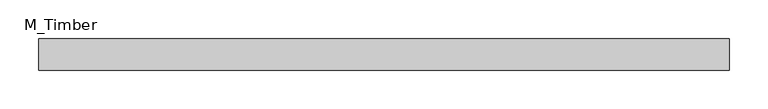
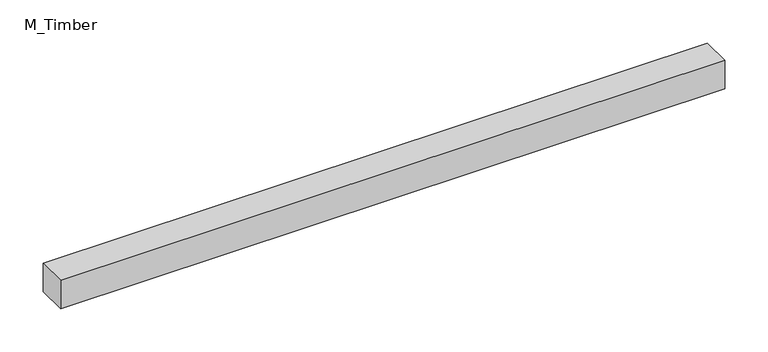
"""IFC4 building model written with IfcOpenShell, lengths in millimetres: beam geometry, M_Timber."""

from ifc_helpers import new_model, si_unit, frame, origin, place, context, project, spatial, polyline, outline, extrude, source, transform, mapped, element, save


def m_timber_a74247fe(model_context):
    return source(origin(), model_context, "Body", "SweptSolid", [
        extrude(outline(polyline([(443.3336744, 20.0), (443.3336744, -20.0), (-443.3336744, -20.0), (-443.3336744, 20.0), (443.3336744, 20.0)])), frame((0.0, 0.0, -20.0), z_axis=(0.0, 0.0, 1.0), x_axis=(1.0, 0.0, 0.0)), (0.0, 0.0, 1.0), 40.0),
    ])


if __name__ == "__main__":
    model = new_model("IFC4")
    model_context = context("Model", 3, world=origin())
    ifc_project = project(units=[si_unit("LENGTHUNIT", "METRE", prefix="MILLI")], contexts=[model_context])
    site = spatial("IfcSite", under=ifc_project)
    building = spatial("IfcBuilding", under=site)
    placement = place(None, origin())
    m_timber_shape = m_timber_a74247fe(model_context)
    element("IfcBeam", 1, ObjectType="M_Timber", at=placement, inside=building, context=model_context, shape_type="MappedRepresentation", body=[
        mapped(m_timber_shape, transform((0.0, 0.0, 0.0), x_axis=(1.0, 0.0, 0.0), y_axis=(0.0, 1.0, 0.0), z_axis=(0.0, 0.0, 1.0))),
    ])
    save(model, "model.ifc")
